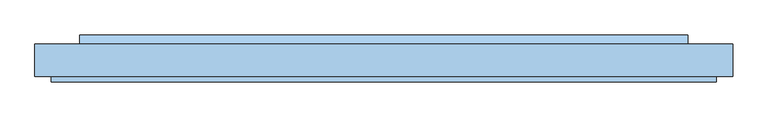
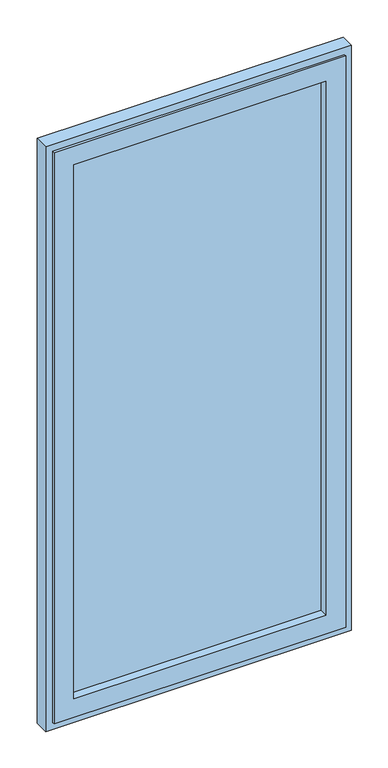
"""IFC4 building model written with IfcOpenShell, lengths in millimetres: window geometry."""

from ifc_helpers import new_model, si_unit, frame, origin, place, context, project, spatial, polyline, outline, extrude, faceted_brep, source, transform, mapped, element, save


def window_7f25420f(model_context):
    return source(origin(), model_context, "Body", "SolidModel", [
        faceted_brep([(-548.0, -54.0, 27.0), (-548.0, -45.0, 27.0), (548.0, -45.0, 27.0), (548.0, -54.0, 27.0), (-517.0, 0.0, 58.0), (-517.0, 9.0, 58.0), (517.0, 9.0, 58.0), (517.0, 0.0, 58.0), (-474.0, 9.0, 101.0), (-474.0, -54.0, 101.0), (474.0, -54.0, 101.0), (474.0, 9.0, 101.0), (548.0, -45.0, 2298.0), (548.0, -54.0, 2298.0), (517.0, 9.0, 2267.0), (517.0, 0.0, 2267.0), (474.0, -54.0, 2224.0), (474.0, 9.0, 2224.0), (-548.0, -45.0, 2298.0), (-548.0, -54.0, 2298.0), (-517.0, 9.0, 2267.0), (-517.0, 0.0, 2267.0), (-474.0, -54.0, 2224.0), (-474.0, 9.0, 2224.0), (-523.0, 0.0, 52.0), (-523.0, 0.0, 2273.0), (523.0, 0.0, 2273.0), (523.0, 0.0, 52.0), (-523.0, -45.0, 52.0), (523.0, -45.0, 52.0), (523.0, -45.0, 2273.0), (-523.0, -45.0, 2273.0)], [[[0, 1, 2, 3]], [[4, 5, 6, 7]], [[8, 9, 10, 11]], [[3, 2, 12, 13]], [[7, 6, 14, 15]], [[11, 10, 16, 17]], [[13, 12, 18, 19]], [[15, 14, 20, 21]], [[17, 16, 22, 23]], [[19, 18, 1, 0]], [[5, 20, 14, 6], [11, 17, 23, 8]], [[21, 20, 5, 4]], [[24, 25, 26, 27], [7, 15, 21, 4]], [[23, 22, 9, 8]], [[3, 13, 19, 0], [9, 22, 16, 10]], [[28, 24, 27, 29]], [[29, 27, 26, 30]], [[30, 26, 25, 31]], [[1, 18, 12, 2], [29, 30, 31, 28]], [[31, 25, 24, 28]]]),
        extrude(outline(polyline([(474.0, -22.0), (-474.0, -22.0), (-474.0, 0.0), (474.0, 0.0), (474.0, -22.0)])), frame((0.0, 0.0, 101.0), z_axis=(0.0, 0.0, 1.0), x_axis=(1.0, 0.0, 0.0)), (0.0, 0.0, 1.0), 2123.0),
        extrude(outline(polyline([(24.0, 58.0), (9.0, 58.0), (9.0, 70.5), (24.0, 63.0), (24.0, 58.0)])), frame((-501.0, 0.0, 0.0), z_axis=(1.0, 0.0, 0.0), x_axis=(0.0, 1.0, 0.0)), (0.0, 0.0, 1.0), 1002.0),
        faceted_brep([(523.0, 0.0, 52.0), (523.0, 9.0, 52.0), (-523.0, 9.0, 52.0), (-523.0, 0.0, 52.0), (541.0, -45.0, 34.0), (541.0, 0.0, 34.0), (-541.0, 0.0, 34.0), (-541.0, -45.0, 34.0), (575.0, 9.0, 0.0), (575.0, -45.0, 0.0), (-575.0, -45.0, 0.0), (-575.0, 9.0, 0.0), (-523.0, 9.0, 2273.0), (-523.0, 0.0, 2273.0), (-541.0, 0.0, 2291.0), (-541.0, -45.0, 2291.0), (-575.0, -45.0, 2325.0), (-575.0, 9.0, 2325.0), (523.0, 9.0, 2273.0), (523.0, 0.0, 2273.0), (541.0, 0.0, 2291.0), (541.0, -45.0, 2291.0), (575.0, -45.0, 2325.0), (575.0, 9.0, 2325.0)], [[[0, 1, 2, 3]], [[4, 5, 6, 7]], [[8, 9, 10, 11]], [[3, 2, 12, 13]], [[7, 6, 14, 15]], [[11, 10, 16, 17]], [[13, 12, 18, 19]], [[15, 14, 20, 21]], [[17, 16, 22, 23]], [[19, 18, 1, 0]], [[5, 20, 14, 6], [3, 13, 19, 0]], [[21, 20, 5, 4]], [[9, 22, 16, 10], [7, 15, 21, 4]], [[23, 22, 9, 8]], [[11, 17, 23, 8], [1, 18, 12, 2]]]),
    ])


if __name__ == "__main__":
    model = new_model("IFC4")
    model_context = context("Model", 3, world=origin())
    ifc_project = project(units=[si_unit("LENGTHUNIT", "METRE", prefix="MILLI")], contexts=[model_context])
    site = spatial("IfcSite", under=ifc_project)
    building = spatial("IfcBuilding", under=site)
    placement = place(None, origin())
    window_shape = window_7f25420f(model_context)
    element("IfcWindow", 1, at=placement, inside=building, context=model_context, shape_type="MappedRepresentation", body=[
        mapped(window_shape, transform((0.0, 0.0, 0.0), x_axis=(1.0, 0.0, 0.0), y_axis=(0.0, 1.0, 0.0), z_axis=(0.0, 0.0, 1.0))),
    ])
    save(model, "model.ifc")
